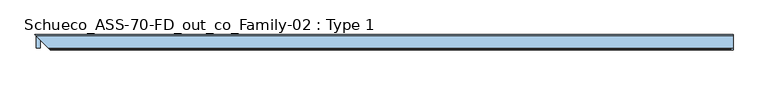
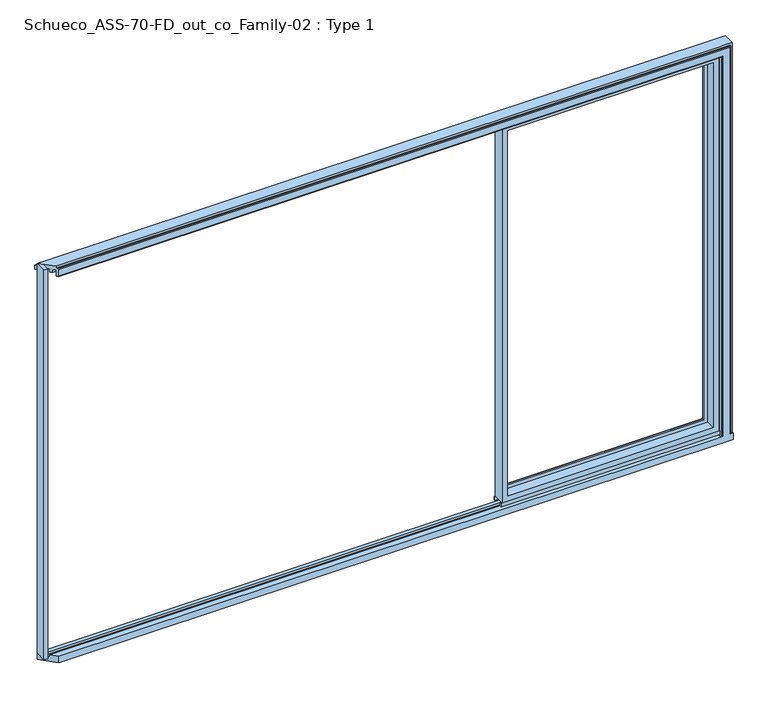
"""IFC4 building model written with IfcOpenShell, lengths in millimetres: window geometry, Schueco_ASS-70-FD_out_co_Family-02 : Type 1."""

from ifc_helpers import new_model, si_unit, point, frame, frame_2d, origin, origin_with_axes, place, context, project, spatial, polyline, circle_curve, ellipse_curve, trimmed, segment, composite_curve, outline, extrude, faceted_brep, source, transform, mapped, element, save
from ifc_brep_helpers import plane_surface, cylinder_surface, advanced_brep


def schueco_ass_70_fd_out_co_family_02_type_1_8f38938d(model_context):
    return source(origin(), model_context, "Body", "SolidModel", [
        advanced_brep(
        [(1912.8, -70.0, 2337.0), (1912.8, -70.0, 34.0), (1912.8, 0.0, 34.0), (1912.8, 0.0, 2337.0), (656.0333333, -70.0, 34.0), (656.0333333, 0.0, 34.0), (656.0333333, 0.0, 2337.0), (705.5325234, 0.0, 83.4991901), (1863.3008099, 0.0, 83.4991901), (1863.3008099, 0.0, 2287.5008099), (705.5325234, 0.0, 2287.5008099), (656.0333333, -70.0, 2337.0), (1880.8, -70.0, 66.0), (688.0333333, -70.0, 66.0), (688.0333333, -70.0, 2305.0), (1880.8, -70.0, 2305.0), (1880.8, -13.999939, 2305.0), (1880.8, -13.999939, 66.0), (688.0333333, -13.999939, 66.0), (688.0333333, -13.999939, 2305.0), (1858.8004272, -13.999939, 87.9995728), (710.0329061, -13.999939, 87.9995728), (710.0329061, -13.999939, 2283.0004272), (1858.8004272, -13.999939, 2283.0004272), (1858.8004272, -4.5004435, 2283.0004272), (1858.8004272, -4.5004435, 87.9995728), (710.0329061, -4.5004435, 87.9995728), (710.0329061, -4.5004435, 2283.0004272)],
        [
            (0, 1),
            (1, 2),
            (2, 3),
            (3, 0),
            (1, 4),
            (4, 5),
            (5, 2),
            (5, 6),
            (6, 3),
            (7, 8),
            (8, 9),
            (9, 10),
            (10, 7),
            (4, 11),
            (11, 6),
            (0, 11),
            (12, 13),
            (13, 14),
            (14, 15),
            (15, 12),
            (16, 17),
            (17, 12),
            (15, 16),
            (17, 18),
            (18, 13),
            (18, 19),
            (19, 14),
            (16, 19),
            (20, 21),
            (21, 22),
            (22, 23),
            (23, 20),
            (24, 25),
            (25, 20),
            (23, 24),
            (25, 26),
            (26, 21),
            (26, 27),
            (27, 22),
            (7, 26, ellipse_curve(frame((705.5325234, -4.5004435, 83.4991901), z_axis=(0.7071067811865475, 0.0, -0.7071067811865475), x_axis=(0.7071067811865476, 0.0, 0.7071067811865474)), 6.3645023, 4.5003827)),
            (25, 8, ellipse_curve(frame((1863.3008099, -4.5004435, 83.4991901), z_axis=(-0.7071067811865475, 0.0, -0.7071067811865475), x_axis=(0.7071067811865476, 0.0, -0.7071067811865474)), 6.3645023, 4.5003827)),
            (24, 9, ellipse_curve(frame((1863.3008099, -4.5004435, 2287.5008099), z_axis=(0.7071067811865475, 0.0, -0.7071067811865475), x_axis=(0.7071067811865474, 0.0, 0.7071067811865476)), 6.3645023, 4.5003827)),
            (10, 27, ellipse_curve(frame((705.5325234, -4.5004435, 2287.5008099), z_axis=(-0.7071067811865475, 0.0, -0.7071067811865475), x_axis=(0.7071067811865474, 0.0, -0.7071067811865476)), 6.3645023, 4.5003827)),
            (27, 24),
        ],
        [
            plane_surface(frame((1912.8, 0.0, 2337.0), z_axis=(1.0, 0.0, 0.0), x_axis=(0.0, 0.0, -1.0))),
            plane_surface(frame((1912.8, 0.0, 34.0), z_axis=(0.0, 0.0, -1.0), x_axis=(-1.0, 0.0, 0.0))),
            plane_surface(frame((1863.3008099, 0.0, 2287.5008099), z_axis=(0.0, 1.0, 0.0), x_axis=(0.0, 0.0, -1.0))),
            plane_surface(frame((656.0333333, 0.0, 34.0), z_axis=(-1.0, 0.0, 0.0), x_axis=(0.0, 0.0, 1.0))),
            plane_surface(frame((1912.8, -70.0, 2337.0), z_axis=(0.0, -1.0, 0.0), x_axis=(0.0, 0.0, -1.0))),
            plane_surface(frame((1880.8, -70.0, 2305.0), z_axis=(-1.0, 0.0, 0.0), x_axis=(0.0, 0.0, -1.0))),
            plane_surface(frame((1880.8, -70.0, 66.0), z_axis=(0.0, 0.0, 1.0), x_axis=(-1.0, 0.0, 0.0))),
            plane_surface(frame((688.0333333, -70.0, 66.0), z_axis=(1.0, 0.0, 0.0), x_axis=(0.0, 0.0, 1.0))),
            plane_surface(frame((1880.8, -13.999939, 2305.0), z_axis=(0.0, -1.0, 0.0), x_axis=(0.0, 0.0, -1.0))),
            plane_surface(frame((1858.8004272, -13.999939, 2283.0004272), z_axis=(-1.0, 0.0, 0.0), x_axis=(0.0, 0.0, -1.0))),
            plane_surface(frame((1858.8004272, -13.999939, 87.9995728), z_axis=(0.0, 0.0, 1.0), x_axis=(-1.0, 0.0, 0.0))),
            plane_surface(frame((710.0329061, -13.999939, 87.9995728), z_axis=(1.0, 0.0, 0.0), x_axis=(0.0, 0.0, 1.0))),
            cylinder_surface(frame((1918.8, -4.5004435, 83.4991901), z_axis=(1.0, 0.0, 0.0), x_axis=(0.0, -1.0, 0.0)), 4.5003827),
            cylinder_surface(frame((1863.3008099, -4.5004435, 2343.0), z_axis=(0.0, 0.0, 1.0), x_axis=(0.0, -1.0, 0.0)), 4.5003827),
            cylinder_surface(frame((705.5325234, -4.5004435, 28.0), z_axis=(0.0, 0.0, -1.0), x_axis=(0.0, -1.0, 0.0)), 4.5003827),
            plane_surface(frame((656.0333333, 0.0, 2337.0), z_axis=(0.0, 0.0, 1.0), x_axis=(1.0, 0.0, 0.0))),
            plane_surface(frame((688.0333333, -70.0, 2305.0), z_axis=(0.0, 0.0, -1.0), x_axis=(1.0, 0.0, 0.0))),
            plane_surface(frame((710.0329061, -13.999939, 2283.0004272), z_axis=(0.0, 0.0, -1.0), x_axis=(1.0, 0.0, 0.0))),
            cylinder_surface(frame((650.0333333, -4.5004435, 2287.5008099), z_axis=(-1.0, 0.0, 0.0), x_axis=(0.0, -1.0, 0.0)), 4.5003827),
        ],
        [
            (0, [[1, 2, 3, 4]]),
            (1, [[5, 6, 7, -2]]),
            (2, [[-7, 8, 9, -3], [10, 11, 12, 13]]),
            (3, [[14, 15, -8, -6]]),
            (4, [[-5, -1, 16, -14], [17, 18, 19, 20]]),
            (5, [[21, 22, -20, 23]]),
            (6, [[24, 25, -17, -22]]),
            (7, [[26, 27, -18, -25]]),
            (8, [[-24, -21, 28, -26], [29, 30, 31, 32]]),
            (9, [[33, 34, -32, 35]]),
            (10, [[36, 37, -29, -34]]),
            (11, [[38, 39, -30, -37]]),
            (12, [[-10, 40, -36, 41]]),
            (13, [[-11, -41, -33, 42]]),
            (14, [[-13, 43, -38, -40]]),
            (15, [[-16, -4, -9, -15]]),
            (16, [[-28, -23, -19, -27]]),
            (17, [[44, -35, -31, -39]]),
            (18, [[-12, -42, -44, -43]]),
        ],
    ),
        extrude(outline(polyline([(1918.8, -7.6000076), (650.0333333, -7.6000076), (650.0333333, 0.0), (1918.8, 0.0), (1918.8, -7.6000076)])), frame((0.0, 0.0, 12.0), z_axis=(0.0, 0.0, 1.0), x_axis=(1.0, 0.0, 0.0)), (0.0, 0.0, 1.0), 22.0),
        extrude(outline(polyline([(1918.8, -70.0), (650.0333333, -70.0), (650.0333333, -62.2757497), (1918.8, -62.2757497), (1918.8, -70.0)])), frame((0.0, 0.0, 12.0), z_axis=(0.0, 0.0, 1.0), x_axis=(1.0, 0.0, 0.0)), (0.0, 0.0, 1.0), 22.0),
        extrude(outline(composite_curve([segment(polyline([(-17.955674, 2339.1400778), (-1.3636404, 2339.1400778), (0.0, 2342.963961), (0.0, 2348.6420698), (0.8937897, 2348.6420698), (1.8738669, 2344.9939222)]), True, "CONTINUOUS"), segment(trimmed(circle_curve(frame_2d((-0.0576456, 2344.4750201)), 2.0), [point((1.8738669, 2344.9939222))], [point((1.8735116, 2343.9547971))], False, "CARTESIAN"), True, "CONTINUOUS"), segment(polyline([(1.8735116, 2343.9547971), (0.0, 2337.0), (-17.955674, 2337.0), (-17.955674, 2339.1400778)]), True, "CONTINUOUS")], self_intersect=False)), frame((650.0333333, 0.0, 0.0), z_axis=(1.0, 0.0, 0.0), x_axis=(0.0, 1.0, 0.0)), (0.0, 0.0, 1.0), 1268.7666667),
        advanced_brep(
        [(1977.999939, -70.0, 2377.999939), (1977.999939, -75.4999847, 2377.999939), (1977.999939, -75.4999847, 0.0), (1977.999939, -70.0, 0.0), (1990.0, -70.0, 0.0), (1990.0, -70.0, 2390.0), (1965.9997864, -70.0, 2390.0), (1918.8, -70.0, 2390.0), (-1930.0005233, -70.0, 2390.0), (-1930.0005233, -70.0, 2377.999939), (1918.8, -70.0, 2377.999939), (1965.9997864, -70.0, 2377.999939), (1990.0, 0.0, 2390.0), (1990.0, -79.9990858, 0.0), (1990.0, -79.9990858, -40.0), (1990.0, 0.000899, -40.0), (1990.0, -23.7497619, 0.0007157), (1990.0, -23.7497619, -12.0998308), (1990.0, -46.2497619, -12.0998308), (1990.0, -46.2497619, 0.0), (1973.499939, -79.9999847, 2373.499939), (1973.499939, -79.9999847, 0.0), (-1920.0005385, -79.9999847, 2373.499939), (-1920.0005385, -79.9999847, 2332.5000916), (1932.5000916, -79.9999847, 2332.5000916), (1932.5000916, -79.9999847, 0.0), (-1920.0005385, -79.9999847, 0.0), (-1920.0005385, -79.9999847, -40.0), (1930.0000916, -77.4999847, 2330.0000916), (1930.0000916, -77.4999847, 0.0), (-1953.7507613, -46.2497619, 0.0), (-1953.7507613, -46.2497619, -12.0998308), (-1976.2507613, -23.7497619, -12.0998308), (-1976.2507613, -23.7497619, 0.0007114), (-2000.0, -0.0005233, 0.0007157), (-2000.0005233, 0.0, -40.0), (-1924.5005385, -75.4999847, 2377.999939), (-2000.0002616, -0.0002616, 2390.0), (-2000.0005233, 0.0, 2345.0), (-1996.5005233, -3.5, 2345.0), (-1996.5005233, -3.5, 2365.9997864), (-1985.8504989, -14.1500244, 2365.9997864), (-1985.8504989, -14.1500244, 2349.000061), (-1976.2505233, -23.75, 2349.000061), (-1976.2505233, -23.75, 2365.9997864), (-1953.7506072, -46.2499161, 2365.9997864), (-1953.7506072, -46.2499161, 2349.000061), (-1944.1506545, -55.8498688, 2349.000061), (-1944.1506545, -55.8498688, 2365.9997864), (-1930.0005233, -70.0, 2365.9997864), (-1930.0005233, -70.0, 2330.0000916), (-1922.5005385, -77.4999847, 2330.0000916), (1930.0000916, -70.0, 2330.0000916), (1930.0000916, -70.0, 0.0), (1918.8, -70.0, 2330.0000916), (1918.8, -70.0, 0.0), (1918.8, 0.0, 2345.0), (1918.8, 0.0, 0.0), (1945.0, 0.0, 0.0), (1945.0, 0.0, 2345.0), (1940.0003662, 0.0, 2345.0), (1940.0003662, 0.0, 0.0), (1945.0, -3.5, 2345.0), (1945.0, -3.5, 0.0007157), (1940.0003662, -3.5000916, 0.0), (1940.0003662, -3.5000916, 2345.0), (1918.8, -46.2497619, 0.0), (1918.8, -23.7497619, 0.0), (1918.8, -70.0, 2365.9997864), (1918.8, -55.8498688, 2365.9997864), (1918.8, -55.8498688, 2349.000061), (1918.8, -46.2499161, 2349.000061), (1918.8, -46.2499161, 2365.9997864), (1918.8, -23.75, 2365.9997864), (1918.8, -23.75, 2349.000061), (1918.8, -14.1500244, 2349.000061), (1918.8, -14.1500244, 2365.9997864), (1918.8, -3.5, 2365.9997864), (1918.8, -3.5, 2345.0)],
        [
            (0, 1),
            (1, 2),
            (2, 3),
            (3, 0),
            (4, 5),
            (5, 6),
            (6, 7),
            (7, 8),
            (8, 9),
            (9, 10),
            (10, 11),
            (11, 0),
            (3, 4),
            (12, 5),
            (4, 13),
            (13, 14),
            (14, 15),
            (15, 12),
            (16, 17),
            (17, 18),
            (18, 19),
            (19, 16),
            (1, 20, ellipse_curve(frame((1973.499939, -75.4999847, 2373.499939), z_axis=(0.7071067811865475, 0.0, -0.7071067811865475), x_axis=(-0.7071067811865474, 0.0, -0.7071067811865476)), 6.363961, 4.5)),
            (20, 21),
            (21, 2, circle_curve(frame((1973.499939, -75.4999847, 0.0), z_axis=(0.0, 0.0, 1.0), x_axis=(-1.0, 0.0, 0.0)), 4.5)),
            (20, 22),
            (22, 23),
            (23, 24),
            (24, 25),
            (25, 26),
            (26, 27),
            (27, 14),
            (13, 21),
            (24, 28, ellipse_curve(frame((1932.5000916, -77.4999847, 2332.5000916), z_axis=(0.7071067811865475, 0.0, -0.7071067811865475), x_axis=(-0.7071067811865474, 0.0, -0.7071067811865476)), 3.5355339, 2.5)),
            (28, 29),
            (29, 25, circle_curve(frame((1932.5000916, -77.4999847, 0.0), z_axis=(0.0, 0.0, 1.0), x_axis=(-1.0, 0.0, 0.0)), 2.5)),
            (26, 30),
            (30, 31),
            (31, 32),
            (32, 33),
            (33, 34),
            (34, 35),
            (35, 27),
            (36, 9),
            (8, 37),
            (37, 38),
            (38, 39),
            (39, 40),
            (40, 41),
            (41, 42),
            (42, 43),
            (43, 44),
            (44, 45),
            (45, 46),
            (46, 47),
            (47, 48),
            (48, 49),
            (49, 50),
            (50, 51),
            (51, 23, ellipse_curve(frame((-1922.5005385, -77.4999847, 2332.5000916), z_axis=(-0.7071067811865475, -0.7071067811865477, 0.0), x_axis=(0.7071067811865475, -0.7071067811865475, 0.0)), 3.5355339, 2.5)),
            (22, 36, ellipse_curve(frame((-1924.5005385, -75.4999847, 2373.499939), z_axis=(-0.7071067811865475, -0.7071067811865477, 0.0), x_axis=(0.7071067811865475, -0.7071067811865475, 0.0)), 6.363961, 4.5)),
            (35, 15),
            (28, 52),
            (52, 53),
            (53, 29),
            (54, 55),
            (55, 53),
            (52, 54),
            (56, 38),
            (37, 12),
            (34, 57),
            (57, 56),
            (58, 59),
            (59, 60),
            (60, 61),
            (61, 58),
            (62, 59),
            (58, 63),
            (63, 62),
            (64, 65),
            (65, 62),
            (63, 64),
            (66, 67),
            (67, 16),
            (19, 66),
            (54, 68),
            (68, 69),
            (69, 70),
            (70, 71),
            (71, 72),
            (72, 73),
            (73, 74),
            (74, 75),
            (75, 76),
            (76, 77),
            (77, 78),
            (78, 56),
            (57, 67),
            (66, 55),
            (64, 61),
            (60, 65),
            (17, 32),
            (31, 18),
            (30, 66),
            (67, 33),
            (36, 1),
            (51, 28),
            (50, 54),
            (49, 68),
            (48, 69),
            (47, 70),
            (46, 71),
            (45, 72),
            (44, 73),
            (43, 74),
            (42, 75),
            (41, 76),
            (40, 77),
            (39, 78),
        ],
        [
            plane_surface(frame((1977.999939, -70.0, 0.0), z_axis=(1.0, 0.0, 0.0), x_axis=(0.0, 0.0, 1.0))),
            plane_surface(frame((1990.0, -70.0, 0.0), z_axis=(0.0, -1.0, 0.0), x_axis=(0.0, 0.0, 1.0))),
            plane_surface(frame((1990.0, 0.0, 0.0), z_axis=(1.0, 0.0, 0.0), x_axis=(0.0, 0.0, 1.0))),
            cylinder_surface(frame((1973.499939, -75.4999847, 0.0), z_axis=(0.0, 0.0, -1.0), x_axis=(-1.0, 0.0, 0.0)), 4.5),
            plane_surface(frame((1973.499939, -79.9999847, 0.0), z_axis=(0.0, -1.0, 0.0), x_axis=(0.0, 0.0, 1.0))),
            cylinder_surface(frame((1932.5000916, -77.4999847, 0.0), z_axis=(0.0, 0.0, -1.0), x_axis=(-1.0, 0.0, 0.0)), 2.5),
            plane_surface(frame((-1871.7942847, -128.2062385, 2390.0), z_axis=(-0.7071067811865475, -0.7071067811865477, 0.0), x_axis=(0.0, 0.0, -1.0))),
            plane_surface(frame((1990.0, -79.9990858, -40.0), z_axis=(0.0, 0.0, -1.0), x_axis=(-1.0, 0.0, 0.0))),
            plane_surface(frame((1930.0000916, -77.4999847, 0.0), z_axis=(-1.0, 0.0, 0.0), x_axis=(0.0, 0.0, 1.0))),
            plane_surface(frame((1918.8, -70.0, 2390.0), z_axis=(0.0, -1.0, 0.0), x_axis=(0.0, 0.0, -1.0))),
            plane_surface(frame((1945.0, 0.0, 0.0), z_axis=(0.0, 1.0, 0.0), x_axis=(0.0, 0.0, 1.0))),
            plane_surface(frame((1945.0, -3.5, 0.0), z_axis=(-1.0, 0.0, 0.0), x_axis=(0.0, 0.0, 1.0))),
            plane_surface(frame((1965.9997864, -3.5000916, 2390.0), z_axis=(0.0, 1.0, 0.0), x_axis=(0.0, 0.0, -1.0))),
            plane_surface(frame((1990.0, -70.0, 0.0), z_axis=(0.0, 0.0, -1.0), x_axis=(0.0, -1.0, 0.0))),
            plane_surface(frame((1918.8, 0.0, 2390.0), z_axis=(-1.0, 0.0, 0.0), x_axis=(0.0, 0.0, -1.0))),
            plane_surface(frame((1940.0003662, -3.5000916, 2390.0), z_axis=(1.0, 0.0, 0.0), x_axis=(0.0, 0.0, -1.0))),
            plane_surface(frame((1990.0, -23.7497619, -12.0998308), z_axis=(0.0, 0.0, 1.0), x_axis=(-1.0, 0.0, 0.0))),
            plane_surface(frame((1990.0, -46.2497619, -12.0998308), z_axis=(0.0, 1.0, 0.0), x_axis=(-1.0, 0.0, 0.0))),
            plane_surface(frame((1990.0, -23.7497619, 0.0007157), z_axis=(0.0, -1.0, 0.0), x_axis=(-1.0, 0.0, 0.0))),
            plane_surface(frame((1990.0, -46.2497619, 0.0), z_axis=(0.0, 0.0, 1.0), x_axis=(-1.0, 0.0, 0.0))),
            plane_surface(frame((1977.999939, -70.0, 2377.999939), z_axis=(0.0, 0.0, 1.0), x_axis=(-1.0, 0.0, 0.0))),
            cylinder_surface(frame((1990.0, -75.4999847, 2373.499939), z_axis=(1.0, 0.0, 0.0), x_axis=(0.0, 0.0, -1.0)), 4.5),
            cylinder_surface(frame((1990.0, -77.4999847, 2332.5000916), z_axis=(1.0, 0.0, 0.0), x_axis=(0.0, 0.0, -1.0)), 2.5),
            plane_surface(frame((1930.0000916, -77.4999847, 2330.0000916), z_axis=(0.0, 0.0, -1.0), x_axis=(-1.0, 0.0, 0.0))),
            plane_surface(frame((1930.0000916, -70.0, 0.0), z_axis=(0.0, 1.0, 0.0), x_axis=(0.0, 0.0, 1.0))),
            plane_surface(frame((1965.9997864, -70.0, 2365.9997864), z_axis=(0.0, 0.0, -1.0), x_axis=(-1.0, 0.0, 0.0))),
            plane_surface(frame((1965.9997864, -55.8498688, 0.0), z_axis=(0.0, -1.0, 0.0), x_axis=(0.0, 0.0, 1.0))),
            plane_surface(frame((1949.000061, -55.8498688, 2349.000061), z_axis=(0.0, 0.0, -1.0), x_axis=(-1.0, 0.0, 0.0))),
            plane_surface(frame((1949.000061, -46.2499161, 0.0), z_axis=(0.0, 1.0, 0.0), x_axis=(0.0, 0.0, 1.0))),
            plane_surface(frame((1965.9997864, -46.2499161, 2365.9997864), z_axis=(0.0, 0.0, -1.0), x_axis=(-1.0, 0.0, 0.0))),
            plane_surface(frame((1965.9997864, -23.75, 0.0), z_axis=(0.0, -1.0, 0.0), x_axis=(0.0, 0.0, 1.0))),
            plane_surface(frame((1949.000061, -23.75, 2349.000061), z_axis=(0.0, 0.0, -1.0), x_axis=(-1.0, 0.0, 0.0))),
            plane_surface(frame((1949.000061, -14.1500244, 0.0), z_axis=(0.0, 1.0, 0.0), x_axis=(0.0, 0.0, 1.0))),
            plane_surface(frame((1965.9997864, -14.1500244, 2365.9997864), z_axis=(0.0, 0.0, -1.0), x_axis=(-1.0, 0.0, 0.0))),
            plane_surface(frame((1965.9997864, -3.5, 0.0), z_axis=(0.0, -1.0, 0.0), x_axis=(0.0, 0.0, 1.0))),
            plane_surface(frame((1945.0, -3.5, 2345.0), z_axis=(0.0, 0.0, -1.0), x_axis=(-1.0, 0.0, 0.0))),
            plane_surface(frame((1990.0, 0.0, 2390.0), z_axis=(0.0, 0.0, 1.0), x_axis=(-1.0, 0.0, 0.0))),
            plane_surface(frame((1990.0, 0.000899, 0.0007157), z_axis=(0.0, 0.0, 1.0), x_axis=(-1.0, 0.0, 0.0))),
        ],
        [
            (0, [[1, 2, 3, 4]]),
            (1, [[5, 6, 7, 8, 9, 10, 11, 12, -4, 13]]),
            (2, [[14, -5, 15, 16, 17, 18], [19, 20, 21, 22]]),
            (3, [[23, 24, 25, -2]]),
            (4, [[-24, 26, 27, 28, 29, 30, 31, 32, -16, 33]]),
            (5, [[34, 35, 36, -29]]),
            (6, [[-31, 37, 38, 39, 40, 41, 42, 43]]),
            (6, [[44, -9, 45, 46, 47, 48, 49, 50, 51, 52, 53, 54, 55, 56, 57, 58, 59, 60, -27, 61]]),
            (7, [[-17, -32, -43, 62]]),
            (8, [[63, 64, 65, -35]]),
            (9, [[66, 67, -64, 68]]),
            (10, [[69, -46, 70, -18, -62, -42, 71, 72], [73, 74, 75, 76]]),
            (11, [[77, -73, 78, 79]]),
            (12, [[80, 81, -79, 82]]),
            (13, [[83, 84, -22, 85]]),
            (14, [[-66, 86, 87, 88, 89, 90, 91, 92, 93, 94, 95, 96, 97, -72, 98, -83, 99]]),
            (15, [[-80, 100, -75, 101]]),
            (16, [[-20, 102, -39, 103]]),
            (17, [[-21, -103, -38, 104, -85]]),
            (18, [[-19, -84, 105, -40, -102]]),
            (19, [[-15, -13, -3, -25, -33]]),
            (19, [[-36, -65, -67, -99, -104, -37, -30]]),
            (20, [[-1, -12, -11, -10, -44, 106]]),
            (21, [[-23, -106, -61, -26]]),
            (22, [[-34, -28, -60, 107]]),
            (23, [[-63, -107, -59, 108, -68]]),
            (24, [[-86, -108, -58, 109]]),
            (25, [[-87, -109, -57, 110]]),
            (26, [[-88, -110, -56, 111]]),
            (27, [[-89, -111, -55, 112]]),
            (28, [[-90, -112, -54, 113]]),
            (29, [[-91, -113, -53, 114]]),
            (30, [[-92, -114, -52, 115]]),
            (31, [[-93, -115, -51, 116]]),
            (32, [[-94, -116, -50, 117]]),
            (33, [[-95, -117, -49, 118]]),
            (34, [[-96, -118, -48, 119]]),
            (35, [[-69, -97, -119, -47]]),
            (35, [[-77, -81, -101, -74]]),
            (36, [[-14, -70, -45, -8, -7, -6]]),
            (37, [[-71, -41, -105, -98]]),
            (37, [[-76, -100, -82, -78]]),
        ],
    ),
        faceted_brep([(1990.0, 7.7224991, 2377.8134468), (1990.0, 0.0, 2382.2763596), (1990.0, 0.0, 2353.0010125), (1990.0, 7.7224991, 2353.0010125), (-2007.7230223, 7.7224991, 2377.8134468), (-2000.0005233, 0.0, 2382.2763596), (-2000.0005233, 0.0, 2353.0010125), (-2007.7230223, 7.7224991, 2353.0010125)], [[[0, 1, 2, 3]], [[1, 0, 4, 5]], [[2, 1, 5, 6]], [[3, 2, 6, 7]], [[0, 3, 7, 4]], [[5, 4, 7, 6]]]),
        extrude(outline(polyline([(-1977.0, 0.0), (-1977.0, -70.0), (-2000.0, -70.0), (-2000.0, 0.0), (-1977.0, 0.0)])), origin_with_axes(), (0.0, 0.0, 1.0), 2390.0),
    ])


if __name__ == "__main__":
    model = new_model("IFC4")
    model_context = context("Model", 3, world=origin())
    ifc_project = project(units=[si_unit("LENGTHUNIT", "METRE", prefix="MILLI")], contexts=[model_context])
    site = spatial("IfcSite", under=ifc_project)
    building = spatial("IfcBuilding", under=site)
    placement = place(None, origin())
    schueco_ass_70_fd_out_co_family_02_type_1_shape = schueco_ass_70_fd_out_co_family_02_type_1_8f38938d(model_context)
    element("IfcWindow", 1, ObjectType="Schueco_ASS-70-FD_out_co_Family-02 : Type 1", at=placement, inside=building, context=model_context, shape_type="MappedRepresentation", body=[
        mapped(schueco_ass_70_fd_out_co_family_02_type_1_shape, transform((0.0, 0.0, 0.0), x_axis=(1.0, 0.0, 0.0), y_axis=(0.0, 1.0, 0.0), z_axis=(0.0, 0.0, 1.0))),
    ])
    save(model, "model.ifc")
